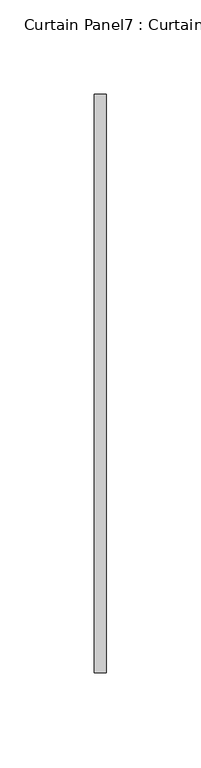
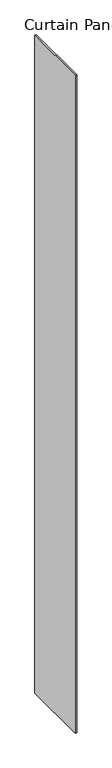
"""IFC4 building model written with IfcOpenShell, lengths in millimetres: plate geometry, Curtain Panel7 : Curtain Panel."""

import ifcopenshell
import ifcopenshell.guid

model = None  # the IFC model being written
_history = None  # IfcOwnerHistory: only IFC2X3 demands one
_inside = {}  # id of a spatial element -> (the spatial element, [elements in it])
_under = {}  # id of a project, library or spatial element -> (it, [spatial elements below it])
_declared = {}  # id of a project -> (the project, [libraries it declares])
_typed = {}  # id of a type object -> (the type object, [elements of that type])
_made_of = {}  # id of a material, layer set ... -> (it, [elements and type objects made of it])


def new_model(schema):
    """Start an empty IFC model of exactly this schema.

    Asked for "IFC4X3", IfcOpenShell would pick the latest addendum, in which some entities
    have other attributes; the version numbers below select the first issue.
    IFC2X3 requires an IfcOwnerHistory on every rooted entity: one is made here for all.
    """
    global model, _history
    if schema == "IFC4X3":
        model = ifcopenshell.file(schema_version=(4, 3, 0, 0))
    else:
        model = ifcopenshell.file(schema=schema)
    _inside.clear()
    _under.clear()
    _declared.clear()
    _typed.clear()
    _made_of.clear()
    _history = None
    if model.schema == "IFC2X3":
        org = make("IfcOrganization", Name="unknown")
        user = make(
            "IfcPersonAndOrganization",
            ThePerson=make("IfcPerson", FamilyName="unknown"),
            TheOrganization=org,
        )
        app = make(
            "IfcApplication",
            ApplicationDeveloper=org,
            Version="unknown",
            ApplicationFullName="unknown",
            ApplicationIdentifier="unknown",
        )
        _history = make(
            "IfcOwnerHistory",
            OwningUser=user,
            OwningApplication=app,
            ChangeAction="ADDED",
            CreationDate=0,
        )
    return model


def make(cls, **values):
    """One entity of the class cls with the attributes given. An attribute that is None is left unset."""
    return model.create_entity(
        cls, **{name: value for name, value in values.items() if value is not None}
    )


def rooted(cls, **values):
    """An entity with a GlobalId (a new one), such as an element, a storey or a relation."""
    return make(cls, GlobalId=ifcopenshell.guid.new(), OwnerHistory=_history, **values)


def si_unit(unit_type, name, prefix=None):
    """IfcSIUnit, for example si_unit("LENGTHUNIT", "METRE", prefix="MILLI")."""
    return make("IfcSIUnit", UnitType=unit_type, Prefix=prefix, Name=name)


def assignment(units):
    """IfcUnitAssignment: the units of a project."""
    return None if units is None else make("IfcUnitAssignment", Units=units)


def point(xyz):
    """IfcCartesianPoint."""
    return None if xyz is None else make("IfcCartesianPoint", Coordinates=xyz)


def direction(xyz):
    """IfcDirection."""
    return None if xyz is None else make("IfcDirection", DirectionRatios=xyz)


def frame(location, z_axis=None, x_axis=None):
    """IfcAxis2Placement3D, a coordinate frame: its origin and axes. An axis left out is left unset."""
    return make(
        "IfcAxis2Placement3D",
        Location=point(location),
        Axis=direction(z_axis),
        RefDirection=direction(x_axis),
    )


def origin():
    """The frame at (0, 0, 0) with its axes left unset."""
    return frame((0.0, 0.0, 0.0))


def origin_with_axes():
    """The frame at (0, 0, 0) with the z axis (0, 0, 1) and the x axis (1, 0, 0) written out."""
    return frame((0.0, 0.0, 0.0), z_axis=(0.0, 0.0, 1.0), x_axis=(1.0, 0.0, 0.0))


def place(relative_to, where):
    """IfcLocalPlacement: puts the frame where relative to a parent placement (None: the world)."""
    return make(
        "IfcLocalPlacement", PlacementRelTo=relative_to, RelativePlacement=where
    )


def context(
    kind, dimensions, precision=None, world=None, true_north=None, identifier=None
):
    """IfcGeometricRepresentationContext, for example the 3D "Model" context."""
    return make(
        "IfcGeometricRepresentationContext",
        ContextIdentifier=identifier,
        ContextType=kind,
        CoordinateSpaceDimension=dimensions,
        Precision=precision,
        WorldCoordinateSystem=world,
        TrueNorth=true_north,
    )


def project(units=None, contexts=None):
    """IfcProject with its units and contexts."""
    return rooted(
        "IfcProject",
        Name="project",
        RepresentationContexts=contexts,
        UnitsInContext=assignment(units),
    )


def spatial(cls, under=None, at=None, **own):
    """A site, building, storey or space (cls), placed at a placement, below another one or the project."""
    s = rooted(cls, ObjectPlacement=at, **own)
    if under is not None:
        _under.setdefault(under.id(), (under, []))[1].append(s)
    return s


def polyline(points):
    """IfcPolyline through the points."""
    return make("IfcPolyline", Points=[point(p) for p in points])


def outline(outer, holes=None, kind="AREA"):
    """IfcArbitraryClosedProfileDef: a profile drawn as a closed curve; with holes, ...WithVoids."""
    if holes is None:
        return make("IfcArbitraryClosedProfileDef", ProfileType=kind, OuterCurve=outer)
    return make(
        "IfcArbitraryProfileDefWithVoids",
        ProfileType=kind,
        OuterCurve=outer,
        InnerCurves=holes,
    )


def extrude(swept, where, along, depth):
    """IfcExtrudedAreaSolid: the profile swept, set in the frame where, extruded along a direction by depth."""
    return make(
        "IfcExtrudedAreaSolid",
        SweptArea=swept,
        Position=where,
        ExtrudedDirection=direction(along),
        Depth=depth,
    )


def shape(context_of_items, identifier, shape_type, items):
    """IfcShapeRepresentation: the items that make up one representation, for example the "Body"."""
    return make(
        "IfcShapeRepresentation",
        ContextOfItems=context_of_items,
        RepresentationIdentifier=identifier,
        RepresentationType=shape_type,
        Items=items,
    )


def source(mapping_origin, context_of_items, identifier, shape_type, items):
    """IfcRepresentationMap: a shape defined once, which mapped items show again and again."""
    return make(
        "IfcRepresentationMap",
        MappingOrigin=mapping_origin,
        MappedRepresentation=shape(context_of_items, identifier, shape_type, items),
    )


def transform(
    local_origin,
    x_axis=None,
    y_axis=None,
    z_axis=None,
    scale=None,
    scale2=None,
    scale3=None,
    uniform=True,
):
    """IfcCartesianTransformationOperator3D, or its non-uniform kind. x_axis, y_axis, z_axis: its Axis1, 2, 3."""
    if uniform:
        return make(
            "IfcCartesianTransformationOperator3D",
            Axis1=direction(x_axis),
            Axis2=direction(y_axis),
            LocalOrigin=point(local_origin),
            Scale=scale,
            Axis3=direction(z_axis),
        )
    return make(
        "IfcCartesianTransformationOperator3DnonUniform",
        Axis1=direction(x_axis),
        Axis2=direction(y_axis),
        LocalOrigin=point(local_origin),
        Scale=scale,
        Axis3=direction(z_axis),
        Scale2=scale2,
        Scale3=scale3,
    )


def mapped(mapping_source, mapping_target):
    """IfcMappedItem: shows the shape of a source again, moved by a transform."""
    return make(
        "IfcMappedItem", MappingSource=mapping_source, MappingTarget=mapping_target
    )


def made_of(thing, what):
    """Note that an element or type object is made of a material, layer set ...; save() writes the relation."""
    if what is not None:
        _made_of.setdefault(what.id(), (what, []))[1].append(thing)
    return thing


def element(
    cls,
    number,
    at=None,
    inside=None,
    cuts=None,
    type_object=None,
    material=None,
    context=None,
    identifier="Body",
    shape_type=None,
    held_by="IfcProductDefinitionShape",
    body=None,
    shapes=None,
    **own,
):
    """One element of the class cls, such as IfcWall. Its Tag is "e" and its number.

    at: its placement. inside: the storey or other place that contains it. cuts: it is an
    opening in that element (IfcRelVoidsElement). A single representation is given by context,
    identifier, shape_type and body (its items); several are given by shapes. held_by: the class
    of the entity that holds the representations. save() writes the other relations.
    """
    e = rooted(cls, Tag="e%d" % number, ObjectPlacement=at, **own)
    if body is not None:
        shapes = [shape(context, identifier, shape_type, body)]
    if shapes is not None:
        e.Representation = make(held_by, Representations=shapes)
    if inside is not None:
        _inside.setdefault(inside.id(), (inside, []))[1].append(e)
    if cuts is not None:
        rooted(
            "IfcRelVoidsElement", RelatingBuildingElement=cuts, RelatedOpeningElement=e
        )
    if type_object is not None:
        _typed.setdefault(type_object.id(), (type_object, []))[1].append(e)
    return made_of(e, material)


def aggregate(whole, parts):
    """IfcRelAggregates: a whole, such as a stair, and the parts it consists of."""
    return rooted("IfcRelAggregates", RelatingObject=whole, RelatedObjects=parts)


def save(model, path):
    """Write the relations noted so far, then the file.

    IfcRelAggregates (storeys below a building ...), IfcRelContainedInSpatialStructure (elements
    in a storey), IfcRelDefinesByType, IfcRelAssociatesMaterial and IfcRelDeclares: one each for
    every whole, place, type object, material and project.
    """
    for whole, parts in _under.values():
        aggregate(whole, parts)
    for where, things in _inside.values():
        rooted(
            "IfcRelContainedInSpatialStructure",
            RelatedElements=things,
            RelatingStructure=where,
        )
    for kind, things in _typed.values():
        rooted("IfcRelDefinesByType", RelatedObjects=things, RelatingType=kind)
    for what, things in _made_of.values():
        rooted("IfcRelAssociatesMaterial", RelatedObjects=things, RelatingMaterial=what)
    for by, libraries in _declared.values():
        rooted("IfcRelDeclares", RelatingContext=by, RelatedDefinitions=libraries)
    model.write(path)


def curtain_panel7_curtain_panel_4355c910(model_context):
    return source(origin(), model_context, "Body", "SweptSolid", [
        extrude(outline(polyline([(492894.4192033, 2101.3467045), (492894.4192033, 2407.1955337), (492900.7692033, 2407.1955337), (492900.7692033, 2101.3467045), (492894.4192033, 2101.3467045)])), origin_with_axes(), (0.0, 0.0, 1.0), 3048.0),
    ])


if __name__ == "__main__":
    model = new_model("IFC4")
    model_context = context("Model", 3, world=origin())
    ifc_project = project(units=[si_unit("LENGTHUNIT", "METRE", prefix="MILLI")], contexts=[model_context])
    site = spatial("IfcSite", under=ifc_project)
    building = spatial("IfcBuilding", under=site)
    placement = place(None, origin())
    curtain_panel7_curtain_panel_shape = curtain_panel7_curtain_panel_4355c910(model_context)
    element("IfcPlate", 1, ObjectType="Curtain Panel7 : Curtain Panel", at=placement, inside=building, context=model_context, shape_type="MappedRepresentation", body=[
        mapped(curtain_panel7_curtain_panel_shape, transform((0.0, 0.0, 0.0), x_axis=(1.0, 0.0, 0.0), y_axis=(0.0, 1.0, 0.0), z_axis=(0.0, 0.0, 1.0))),
    ])
    save(model, "model.ifc")
